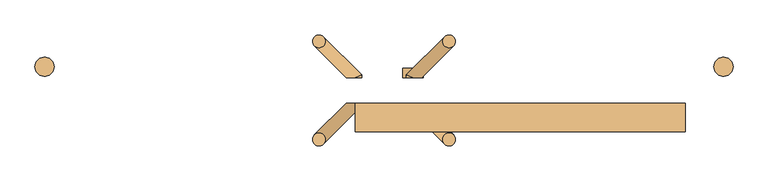
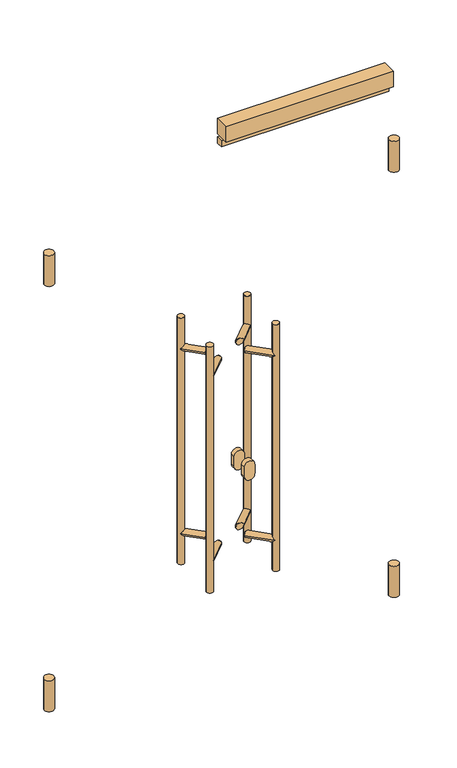
"""IFC4 building model written with IfcOpenShell, lengths in millimetres: door geometry."""

from ifc_helpers import new_model, si_unit, point, frame, frame_2d, origin, place, context, project, spatial, polyline, circle_curve, ellipse_curve, trimmed, segment, composite_curve, outline, extrude, source, transform, mapped, element, save
from ifc_brep_helpers import plane_surface, cylinder_surface, advanced_brep


def door_4cde3d70(model_context):
    return source(origin(), model_context, "Body", "SolidModel", [
        extrude(outline(polyline([(-625.0, -40.0), (-110.0, -40.0), (-110.0, -85.0), (-625.0, -85.0), (-625.0, -40.0)])), frame((0.0, 0.0, 2030.0), z_axis=(0.0, 0.0, 1.0), x_axis=(1.0, 0.0, 0.0)), (0.0, 0.0, 1.0), 50.0),
        extrude(outline(polyline([(-625.0, -40.0), (-110.0, -40.0), (-110.0, -60.0), (-625.0, -60.0), (-625.0, -40.0)])), frame((0.0, 0.0, 2000.0), z_axis=(0.0, 0.0, 1.0), x_axis=(1.0, 0.0, 0.0)), (0.0, 0.0, 1.0), 20.0),
        advanced_brep(
        [(-488.4314575, 56.5685425, 1400.0), (-468.4314575, 56.5685425, 1400.0), (-488.4314575, 56.5685425, 600.0), (-468.4314575, 56.5685425, 600.0), (-535.0, 0.0, 710.0), (-545.0, 0.0, 700.0), (-535.0, 0.0, 690.0), (-520.8578644, 0.0, 700.0), (-535.0, 0.0, 1310.0), (-545.0, 0.0, 1300.0), (-535.0, 0.0, 1290.0), (-520.8578644, 0.0, 1300.0), (-545.0, 4.1421356, 700.0), (-545.0, 4.1421356, 1300.0), (-485.5025253, 63.6396103, 700.0), (-471.3603897, 49.4974747, 700.0), (-488.4314575, 56.5685425, 707.0710678), (-488.4314575, 56.5685425, 692.9289322), (-485.5025253, 63.6396103, 1300.0), (-471.3603897, 49.4974747, 1300.0), (-488.4314575, 56.5685425, 1307.0710678), (-488.4314575, 56.5685425, 1292.9289322)],
        [
            (0, 1, circle_curve(frame((-478.4314575, 56.5685425, 1400.0), z_axis=(0.0, 0.0, 1.0), x_axis=(1.0, 0.0, 0.0)), 10.0)),
            (1, 0, circle_curve(frame((-478.4314575, 56.5685425, 1400.0), z_axis=(0.0, 0.0, 1.0), x_axis=(1.0, 0.0, 0.0)), 10.0)),
            (2, 3, circle_curve(frame((-478.4314575, 56.5685425, 600.0), z_axis=(0.0, 0.0, -1.0), x_axis=(1.0, 0.0, 0.0)), 10.0)),
            (3, 2, circle_curve(frame((-478.4314575, 56.5685425, 600.0), z_axis=(0.0, 0.0, -1.0), x_axis=(1.0, 0.0, 0.0)), 10.0)),
            (4, 5, circle_curve(frame((-535.0, 0.0, 700.0), z_axis=(0.0, -1.0, 0.0), x_axis=(-1.0, 0.0, 0.0)), 10.0)),
            (5, 6, circle_curve(frame((-535.0, 0.0, 700.0), z_axis=(0.0, -1.0, 0.0), x_axis=(-1.0, 0.0, 0.0)), 10.0)),
            (6, 7, ellipse_curve(frame((-535.0, 0.0, 700.0), z_axis=(0.0, -1.0, 0.0), x_axis=(-1.0, 0.0, 0.0)), 14.1421356, 10.0)),
            (7, 4, ellipse_curve(frame((-535.0, 0.0, 700.0), z_axis=(0.0, -1.0, 0.0), x_axis=(-1.0, 0.0, 0.0)), 14.1421356, 10.0)),
            (8, 9, circle_curve(frame((-535.0, 0.0, 1300.0), z_axis=(0.0, -1.0, 0.0), x_axis=(-1.0, 0.0, 0.0)), 10.0)),
            (9, 10, circle_curve(frame((-535.0, 0.0, 1300.0), z_axis=(0.0, -1.0, 0.0), x_axis=(-1.0, 0.0, 0.0)), 10.0)),
            (10, 11, ellipse_curve(frame((-535.0, 0.0, 1300.0), z_axis=(0.0, -1.0, 0.0), x_axis=(-1.0, 0.0, 0.0)), 14.1421356, 10.0)),
            (11, 8, ellipse_curve(frame((-535.0, 0.0, 1300.0), z_axis=(0.0, -1.0, 0.0), x_axis=(-1.0, 0.0, 0.0)), 14.1421356, 10.0)),
            (4, 12, ellipse_curve(frame((-535.0, 0.0, 700.0), z_axis=(-0.3826834323651386, -0.9238795325112665, 0.0), x_axis=(0.9238795325112664, -0.3826834323651385, 0.0)), 10.823922, 10.0)),
            (12, 5),
            (12, 6, ellipse_curve(frame((-535.0, 0.0, 700.0), z_axis=(-0.3826834323651386, -0.9238795325112665, 0.0), x_axis=(0.9238795325112664, -0.3826834323651385, 0.0)), 10.823922, 10.0)),
            (8, 13, ellipse_curve(frame((-535.0, 0.0, 1300.0), z_axis=(-0.3826834323651386, -0.9238795325112665, 0.0), x_axis=(0.9238795325112664, -0.3826834323651385, 0.0)), 10.823922, 10.0)),
            (13, 9),
            (13, 10, ellipse_curve(frame((-535.0, 0.0, 1300.0), z_axis=(-0.3826834323651386, -0.9238795325112665, 0.0), x_axis=(0.9238795325112664, -0.3826834323651385, 0.0)), 10.823922, 10.0)),
            (14, 12),
            (7, 15),
            (15, 16, ellipse_curve(frame((-478.4314575, 56.5685425, 700.0), z_axis=(-0.5000000000000506, -0.49999999999994715, -0.707106781186549), x_axis=(-0.5000000000000551, -0.49999999999994715, 0.7071067811865459)), 14.1421356, 10.0)),
            (16, 14, ellipse_curve(frame((-478.4314575, 56.5685425, 700.0), z_axis=(-0.5000000000000506, -0.49999999999994715, -0.707106781186549), x_axis=(-0.5000000000000551, -0.49999999999994715, 0.7071067811865459)), 14.1421356, 10.0)),
            (14, 17, ellipse_curve(frame((-478.4314575, 56.5685425, 700.0), z_axis=(-0.5000000000000551, -0.49999999999994715, 0.7071067811865459), x_axis=(-0.5000000000000506, -0.49999999999994715, -0.707106781186549)), 14.1421356, 10.0)),
            (17, 15, ellipse_curve(frame((-478.4314575, 56.5685425, 700.0), z_axis=(-0.5000000000000551, -0.49999999999994715, 0.7071067811865459), x_axis=(-0.5000000000000506, -0.49999999999994715, -0.707106781186549)), 14.1421356, 10.0)),
            (18, 13),
            (11, 19),
            (19, 20, ellipse_curve(frame((-478.4314575, 56.5685425, 1300.0), z_axis=(-0.5000000000000506, -0.49999999999994715, -0.707106781186549), x_axis=(-0.5000000000000551, -0.49999999999994715, 0.7071067811865459)), 14.1421356, 10.0)),
            (20, 18, ellipse_curve(frame((-478.4314575, 56.5685425, 1300.0), z_axis=(-0.5000000000000506, -0.49999999999994715, -0.707106781186549), x_axis=(-0.5000000000000551, -0.49999999999994715, 0.7071067811865459)), 14.1421356, 10.0)),
            (18, 21, ellipse_curve(frame((-478.4314575, 56.5685425, 1300.0), z_axis=(-0.5000000000000551, -0.49999999999994715, 0.7071067811865459), x_axis=(-0.5000000000000506, -0.49999999999994715, -0.707106781186549)), 14.1421356, 10.0)),
            (21, 19, ellipse_curve(frame((-478.4314575, 56.5685425, 1300.0), z_axis=(-0.5000000000000551, -0.49999999999994715, 0.7071067811865459), x_axis=(-0.5000000000000506, -0.49999999999994715, -0.707106781186549)), 14.1421356, 10.0)),
            (0, 20),
            (21, 16),
            (17, 2),
            (3, 1),
        ],
        [
            plane_surface(frame((-468.4314575, 56.5685425, 1400.0), z_axis=(0.0, 0.0, 1.0), x_axis=(0.0, 1.0, 0.0))),
            plane_surface(frame((-468.4314575, 56.5685425, 600.0), z_axis=(0.0, 0.0, -1.0), x_axis=(0.0, -1.0, 0.0))),
            plane_surface(frame((-675.0, 0.0, 600.0), z_axis=(0.0, -1.0, 0.0), x_axis=(0.0, 0.0, 1.0))),
            cylinder_surface(frame((-535.0, -40.0, 700.0), z_axis=(0.0, -1.0, 0.0), x_axis=(-1.0, 0.0, 0.0)), 10.0),
            cylinder_surface(frame((-535.0, -40.0, 1300.0), z_axis=(0.0, -1.0, 0.0), x_axis=(-1.0, 0.0, 0.0)), 10.0),
            cylinder_surface(frame((-535.0, 0.0, 700.0), z_axis=(-0.7071067811866223, -0.7071067811864729, 0.0), x_axis=(-0.7071067811864729, 0.7071067811866223, 0.0)), 10.0),
            cylinder_surface(frame((-535.0, 0.0, 1300.0), z_axis=(-0.7071067811866223, -0.7071067811864729, 0.0), x_axis=(-0.7071067811864729, 0.7071067811866223, 0.0)), 10.0),
            cylinder_surface(frame((-478.4314575, 56.5685425, 600.0), z_axis=(0.0, 0.0, 1.0), x_axis=(1.0, 0.0, 0.0)), 10.0),
        ],
        [
            (0, [[1, 2]]),
            (1, [[3, 4]]),
            (2, [[5, 6, 7, 8]]),
            (2, [[9, 10, 11, 12]]),
            (3, [[13, 14, -5]]),
            (3, [[-14, 15, -6]]),
            (4, [[16, 17, -9]]),
            (4, [[-17, 18, -10]]),
            (5, [[19, -13, -8, 20, 21, 22]]),
            (5, [[-19, 23, 24, -20, -7, -15]]),
            (6, [[25, -16, -12, 26, 27, 28]]),
            (6, [[-25, 29, 30, -26, -11, -18]]),
            (7, [[-1, 31, -27, -30, 32, -21, -24, 33, -4, 34]]),
            (7, [[-2, -34, -3, -33, -23, -22, -32, -29, -28, -31]]),
        ],
    ),
        advanced_brep(
        [(-488.4314575, -96.5685425, 1400.0), (-468.4314575, -96.5685425, 1400.0), (-488.4314575, -96.5685425, 600.0), (-468.4314575, -96.5685425, 600.0), (-535.0, -40.0, 710.0), (-520.8578644, -40.0, 700.0), (-535.0, -40.0, 690.0), (-545.0, -40.0, 700.0), (-535.0, -40.0, 1310.0), (-520.8578644, -40.0, 1300.0), (-535.0, -40.0, 1290.0), (-545.0, -40.0, 1300.0), (-545.0, -44.1421356, 700.0), (-485.5025253, -103.6396103, 700.0), (-488.4314575, -96.5685425, 707.0710678), (-471.3603897, -89.4974747, 700.0), (-488.4314575, -96.5685425, 692.9289322), (-545.0, -44.1421356, 1300.0), (-485.5025253, -103.6396103, 1300.0), (-488.4314575, -96.5685425, 1307.0710678), (-471.3603897, -89.4974747, 1300.0), (-488.4314575, -96.5685425, 1292.9289322)],
        [
            (0, 1, circle_curve(frame((-478.4314575, -96.5685425, 1400.0), z_axis=(0.0, 0.0, 1.0), x_axis=(1.0, 0.0, 0.0)), 10.0)),
            (1, 0, circle_curve(frame((-478.4314575, -96.5685425, 1400.0), z_axis=(0.0, 0.0, 1.0), x_axis=(1.0, 0.0, 0.0)), 10.0)),
            (2, 3, circle_curve(frame((-478.4314575, -96.5685425, 600.0), z_axis=(0.0, 0.0, -1.0), x_axis=(1.0, 0.0, 0.0)), 10.0)),
            (3, 2, circle_curve(frame((-478.4314575, -96.5685425, 600.0), z_axis=(0.0, 0.0, -1.0), x_axis=(1.0, 0.0, 0.0)), 10.0)),
            (4, 5, ellipse_curve(frame((-535.0, -40.0, 700.0), z_axis=(0.0, 1.0, 0.0), x_axis=(1.0, 0.0, 0.0)), 14.1421356, 10.0)),
            (5, 6, ellipse_curve(frame((-535.0, -40.0, 700.0), z_axis=(0.0, 1.0, 0.0), x_axis=(1.0, 0.0, 0.0)), 14.1421356, 10.0)),
            (6, 7, circle_curve(frame((-535.0, -40.0, 700.0), z_axis=(0.0, 1.0, 0.0), x_axis=(-1.0, 0.0, 0.0)), 10.0)),
            (7, 4, circle_curve(frame((-535.0, -40.0, 700.0), z_axis=(0.0, 1.0, 0.0), x_axis=(-1.0, 0.0, 0.0)), 10.0)),
            (8, 9, ellipse_curve(frame((-535.0, -40.0, 1300.0), z_axis=(0.0, 1.0, 0.0), x_axis=(1.0, 0.0, 0.0)), 14.1421356, 10.0)),
            (9, 10, ellipse_curve(frame((-535.0, -40.0, 1300.0), z_axis=(0.0, 1.0, 0.0), x_axis=(1.0, 0.0, 0.0)), 14.1421356, 10.0)),
            (10, 11, circle_curve(frame((-535.0, -40.0, 1300.0), z_axis=(0.0, 1.0, 0.0), x_axis=(-1.0, 0.0, 0.0)), 10.0)),
            (11, 8, circle_curve(frame((-535.0, -40.0, 1300.0), z_axis=(0.0, 1.0, 0.0), x_axis=(-1.0, 0.0, 0.0)), 10.0)),
            (12, 13),
            (13, 14, ellipse_curve(frame((-478.4314575, -96.5685425, 700.0), z_axis=(-0.5000000000000066, 0.49999999999999023, -0.7071067811865498), x_axis=(0.5000000000000119, -0.4999999999999913, -0.7071067811865452)), 14.1421356, 10.0)),
            (14, 15, ellipse_curve(frame((-478.4314575, -96.5685425, 700.0), z_axis=(-0.5000000000000066, 0.49999999999999023, -0.7071067811865498), x_axis=(0.5000000000000119, -0.4999999999999913, -0.7071067811865452)), 14.1421356, 10.0)),
            (15, 5),
            (4, 12, ellipse_curve(frame((-535.0, -40.0, 700.0), z_axis=(0.38268343236509833, -0.9238795325112832, 0.0), x_axis=(0.9238795325112834, 0.38268343236509816, 0.0)), 10.823922, 10.0)),
            (12, 6, ellipse_curve(frame((-535.0, -40.0, 700.0), z_axis=(0.38268343236509833, -0.9238795325112832, 0.0), x_axis=(0.9238795325112834, 0.38268343236509816, 0.0)), 10.823922, 10.0)),
            (15, 16, ellipse_curve(frame((-478.4314575, -96.5685425, 700.0), z_axis=(-0.5000000000000121, 0.49999999999999145, 0.7071067811865451), x_axis=(0.5000000000000062, -0.49999999999999, 0.70710678118655)), 14.1421356, 10.0)),
            (16, 13, ellipse_curve(frame((-478.4314575, -96.5685425, 700.0), z_axis=(-0.5000000000000121, 0.49999999999999145, 0.7071067811865451), x_axis=(0.5000000000000062, -0.49999999999999, 0.70710678118655)), 14.1421356, 10.0)),
            (17, 18),
            (18, 19, ellipse_curve(frame((-478.4314575, -96.5685425, 1300.0), z_axis=(-0.5000000000000066, 0.49999999999999023, -0.7071067811865498), x_axis=(0.5000000000000119, -0.4999999999999913, -0.7071067811865452)), 14.1421356, 10.0)),
            (19, 20, ellipse_curve(frame((-478.4314575, -96.5685425, 1300.0), z_axis=(-0.5000000000000066, 0.49999999999999023, -0.7071067811865498), x_axis=(0.5000000000000119, -0.4999999999999913, -0.7071067811865452)), 14.1421356, 10.0)),
            (20, 9),
            (8, 17, ellipse_curve(frame((-535.0, -40.0, 1300.0), z_axis=(0.38268343236509833, -0.9238795325112832, 0.0), x_axis=(0.9238795325112834, 0.38268343236509816, 0.0)), 10.823922, 10.0)),
            (17, 10, ellipse_curve(frame((-535.0, -40.0, 1300.0), z_axis=(0.38268343236509833, -0.9238795325112832, 0.0), x_axis=(0.9238795325112834, 0.38268343236509816, 0.0)), 10.823922, 10.0)),
            (20, 21, ellipse_curve(frame((-478.4314575, -96.5685425, 1300.0), z_axis=(-0.5000000000000121, 0.49999999999999145, 0.7071067811865451), x_axis=(0.5000000000000062, -0.49999999999999, 0.70710678118655)), 14.1421356, 10.0)),
            (21, 18, ellipse_curve(frame((-478.4314575, -96.5685425, 1300.0), z_axis=(-0.5000000000000121, 0.49999999999999145, 0.7071067811865451), x_axis=(0.5000000000000062, -0.49999999999999, 0.70710678118655)), 14.1421356, 10.0)),
            (7, 12),
            (11, 17),
            (0, 19),
            (21, 14),
            (16, 2),
            (3, 1),
        ],
        [
            plane_surface(frame((-468.4314575, 56.5685425, 1400.0), z_axis=(0.0, 0.0, 1.0), x_axis=(0.0, 1.0, 0.0))),
            plane_surface(frame((-468.4314575, 56.5685425, 600.0), z_axis=(0.0, 0.0, -1.0), x_axis=(0.0, -1.0, 0.0))),
            plane_surface(frame((-485.0, -40.0, 600.0), z_axis=(0.0, 1.0, 0.0), x_axis=(0.0, 0.0, 1.0))),
            cylinder_surface(frame((-478.4314575, -96.5685425, 700.0), z_axis=(0.7071067811865607, -0.7071067811865346, 0.0), x_axis=(-0.7071067811865346, -0.7071067811865607, 0.0)), 10.0),
            cylinder_surface(frame((-478.4314575, -96.5685425, 1300.0), z_axis=(0.7071067811865607, -0.7071067811865346, 0.0), x_axis=(-0.7071067811865346, -0.7071067811865607, 0.0)), 10.0),
            cylinder_surface(frame((-535.0, -40.0, 700.0), z_axis=(0.0, -1.0, 0.0), x_axis=(-1.0, 0.0, 0.0)), 10.0),
            cylinder_surface(frame((-535.0, -40.0, 1300.0), z_axis=(0.0, -1.0, 0.0), x_axis=(-1.0, 0.0, 0.0)), 10.0),
            cylinder_surface(frame((-478.4314575, -96.5685425, 1000.0), z_axis=(0.0, 0.0, 1.0), x_axis=(1.0, 0.0, 0.0)), 10.0),
        ],
        [
            (0, [[1, 2]]),
            (1, [[3, 4]]),
            (2, [[5, 6, 7, 8]]),
            (2, [[9, 10, 11, 12]]),
            (3, [[13, 14, 15, 16, -5, 17]]),
            (3, [[-13, 18, -6, -16, 19, 20]]),
            (4, [[21, 22, 23, 24, -9, 25]]),
            (4, [[-21, 26, -10, -24, 27, 28]]),
            (5, [[-17, -8, 29]]),
            (5, [[-18, -29, -7]]),
            (6, [[-25, -12, 30]]),
            (6, [[-26, -30, -11]]),
            (7, [[-1, 31, -22, -28, 32, -14, -20, 33, -4, 34]]),
            (7, [[-2, -34, -3, -33, -19, -15, -32, -27, -23, -31]]),
        ],
    ),
        advanced_brep(
        [(-691.5685425, 56.5685425, 1400.0), (-671.5685425, 56.5685425, 1400.0), (-691.5685425, 56.5685425, 600.0), (-671.5685425, 56.5685425, 600.0), (-625.0, 0.0, 690.0), (-615.0, 0.0, 700.0), (-625.0, 0.0, 710.0), (-639.1421356, 0.0, 700.0), (-625.0, 0.0, 1290.0), (-615.0, 0.0, 1300.0), (-625.0, 0.0, 1310.0), (-639.1421356, 0.0, 1300.0), (-671.5685425, 56.5685425, 692.9289322), (-688.6396103, 49.4974747, 700.0), (-671.5685425, 56.5685425, 707.0710678), (-671.5685425, 56.5685425, 1292.9289322), (-688.6396103, 49.4974747, 1300.0), (-671.5685425, 56.5685425, 1307.0710678), (-674.4974747, 63.6396103, 1300.0), (-674.4974747, 63.6396103, 700.0), (-615.0, 4.1421356, 700.0), (-615.0, 4.1421356, 1300.0)],
        [
            (0, 1, circle_curve(frame((-681.5685425, 56.5685425, 1400.0), z_axis=(0.0, 0.0, 1.0), x_axis=(1.0, 0.0, 0.0)), 10.0)),
            (1, 0, circle_curve(frame((-681.5685425, 56.5685425, 1400.0), z_axis=(0.0, 0.0, 1.0), x_axis=(1.0, 0.0, 0.0)), 10.0)),
            (2, 3, circle_curve(frame((-681.5685425, 56.5685425, 600.0), z_axis=(0.0, 0.0, -1.0), x_axis=(1.0, 0.0, 0.0)), 10.0)),
            (3, 2, circle_curve(frame((-681.5685425, 56.5685425, 600.0), z_axis=(0.0, 0.0, -1.0), x_axis=(1.0, 0.0, 0.0)), 10.0)),
            (4, 5, circle_curve(frame((-625.0, 0.0, 700.0), z_axis=(0.0, -1.0, 0.0), x_axis=(-1.0, 0.0, 0.0)), 10.0)),
            (5, 6, circle_curve(frame((-625.0, 0.0, 700.0), z_axis=(0.0, -1.0, 0.0), x_axis=(-1.0, 0.0, 0.0)), 10.0)),
            (6, 7, ellipse_curve(frame((-625.0, 0.0, 700.0), z_axis=(0.0, -1.0, 0.0), x_axis=(1.0, 0.0, 0.0)), 14.1421356, 10.0)),
            (7, 4, ellipse_curve(frame((-625.0, 0.0, 700.0), z_axis=(0.0, -1.0, 0.0), x_axis=(1.0, 0.0, 0.0)), 14.1421356, 10.0)),
            (8, 9, circle_curve(frame((-625.0, 0.0, 1300.0), z_axis=(0.0, -1.0, 0.0), x_axis=(-1.0, 0.0, 0.0)), 10.0)),
            (9, 10, circle_curve(frame((-625.0, 0.0, 1300.0), z_axis=(0.0, -1.0, 0.0), x_axis=(-1.0, 0.0, 0.0)), 10.0)),
            (10, 11, ellipse_curve(frame((-625.0, 0.0, 1300.0), z_axis=(0.0, -1.0, 0.0), x_axis=(1.0, 0.0, 0.0)), 14.1421356, 10.0)),
            (11, 8, ellipse_curve(frame((-625.0, 0.0, 1300.0), z_axis=(0.0, -1.0, 0.0), x_axis=(1.0, 0.0, 0.0)), 14.1421356, 10.0)),
            (0, 2),
            (3, 12),
            (12, 13, ellipse_curve(frame((-681.5685425, 56.5685425, 700.0), z_axis=(-0.5000000000000748, 0.49999999999992295, -0.707106781186549), x_axis=(-0.5000000000000792, 0.4999999999999229, 0.707106781186546)), 14.1421356, 10.0)),
            (13, 14, ellipse_curve(frame((-681.5685425, 56.5685425, 700.0), z_axis=(-0.5000000000000792, 0.49999999999992295, 0.7071067811865459), x_axis=(0.5000000000000746, -0.49999999999992295, 0.7071067811865491)), 14.1421356, 10.0)),
            (14, 15),
            (15, 16, ellipse_curve(frame((-681.5685425, 56.5685425, 1300.0), z_axis=(-0.5000000000000748, 0.49999999999992295, -0.707106781186549), x_axis=(-0.5000000000000792, 0.4999999999999229, 0.707106781186546)), 14.1421356, 10.0)),
            (16, 17, ellipse_curve(frame((-681.5685425, 56.5685425, 1300.0), z_axis=(-0.5000000000000792, 0.49999999999992295, 0.7071067811865459), x_axis=(0.5000000000000746, -0.49999999999992295, 0.7071067811865491)), 14.1421356, 10.0)),
            (17, 1),
            (17, 18, ellipse_curve(frame((-681.5685425, 56.5685425, 1300.0), z_axis=(-0.5000000000000792, 0.49999999999992295, 0.7071067811865459), x_axis=(0.5000000000000746, -0.49999999999992295, 0.7071067811865491)), 14.1421356, 10.0)),
            (18, 15, ellipse_curve(frame((-681.5685425, 56.5685425, 1300.0), z_axis=(-0.5000000000000748, 0.49999999999992295, -0.707106781186549), x_axis=(-0.5000000000000792, 0.4999999999999229, 0.707106781186546)), 14.1421356, 10.0)),
            (14, 19, ellipse_curve(frame((-681.5685425, 56.5685425, 700.0), z_axis=(-0.5000000000000792, 0.49999999999992295, 0.7071067811865459), x_axis=(0.5000000000000746, -0.49999999999992295, 0.7071067811865491)), 14.1421356, 10.0)),
            (19, 12, ellipse_curve(frame((-681.5685425, 56.5685425, 700.0), z_axis=(-0.5000000000000748, 0.49999999999992295, -0.707106781186549), x_axis=(-0.5000000000000792, 0.4999999999999229, 0.707106781186546)), 14.1421356, 10.0)),
            (4, 20, ellipse_curve(frame((-625.0, 0.0, 700.0), z_axis=(0.382683432365161, -0.9238795325112573, 0.0), x_axis=(-0.9238795325112572, -0.3826834323651609, 0.0)), 10.823922, 10.0)),
            (20, 5),
            (20, 6, ellipse_curve(frame((-625.0, 0.0, 700.0), z_axis=(0.382683432365161, -0.9238795325112573, 0.0), x_axis=(-0.9238795325112572, -0.3826834323651609, 0.0)), 10.823922, 10.0)),
            (8, 21, ellipse_curve(frame((-625.0, 0.0, 1300.0), z_axis=(0.382683432365161, -0.9238795325112573, 0.0), x_axis=(-0.9238795325112572, -0.3826834323651609, 0.0)), 10.823922, 10.0)),
            (21, 9),
            (21, 10, ellipse_curve(frame((-625.0, 0.0, 1300.0), z_axis=(0.382683432365161, -0.9238795325112573, 0.0), x_axis=(-0.9238795325112572, -0.3826834323651609, 0.0)), 10.823922, 10.0)),
            (19, 20),
            (7, 13),
            (18, 21),
            (11, 16),
        ],
        [
            plane_surface(frame((-468.4314575, 56.5685425, 1400.0), z_axis=(0.0, 0.0, 1.0), x_axis=(0.0, 1.0, 0.0))),
            plane_surface(frame((-468.4314575, 56.5685425, 600.0), z_axis=(0.0, 0.0, -1.0), x_axis=(0.0, -1.0, 0.0))),
            plane_surface(frame((-675.0, 0.0, 600.0), z_axis=(0.0, -1.0, 0.0), x_axis=(0.0, 0.0, 1.0))),
            cylinder_surface(frame((-681.5685425, 56.5685425, 1000.0), z_axis=(0.0, 0.0, 1.0), x_axis=(1.0, 0.0, 0.0)), 10.0),
            cylinder_surface(frame((-625.0, -40.0, 700.0), z_axis=(0.0, -1.0, 0.0), x_axis=(-1.0, 0.0, 0.0)), 10.0),
            cylinder_surface(frame((-625.0, -40.0, 1300.0), z_axis=(0.0, -1.0, 0.0), x_axis=(-1.0, 0.0, 0.0)), 10.0),
            cylinder_surface(frame((-625.0, 0.0, 700.0), z_axis=(0.7071067811866565, -0.7071067811864387, 0.0), x_axis=(-0.7071067811864387, -0.7071067811866565, 0.0)), 10.0),
            cylinder_surface(frame((-625.0, 0.0, 1300.0), z_axis=(0.7071067811866565, -0.7071067811864387, 0.0), x_axis=(-0.7071067811864387, -0.7071067811866565, 0.0)), 10.0),
        ],
        [
            (0, [[1, 2]]),
            (1, [[3, 4]]),
            (2, [[5, 6, 7, 8]]),
            (2, [[9, 10, 11, 12]]),
            (3, [[-1, 13, -4, 14, 15, 16, 17, 18, 19, 20]]),
            (3, [[-2, -20, 21, 22, -17, 23, 24, -14, -3, -13]]),
            (4, [[25, 26, -5]]),
            (4, [[-26, 27, -6]]),
            (5, [[28, 29, -9]]),
            (5, [[-29, 30, -10]]),
            (6, [[31, -25, -8, 32, -15, -24]]),
            (6, [[-31, -23, -16, -32, -7, -27]]),
            (7, [[33, -28, -12, 34, -18, -22]]),
            (7, [[-33, -21, -19, -34, -11, -30]]),
        ],
    ),
        advanced_brep(
        [(-691.5685425, -96.5685425, 1400.0), (-671.5685425, -96.5685425, 1400.0), (-691.5685425, -96.5685425, 600.0), (-671.5685425, -96.5685425, 600.0), (-625.0, -40.0, 690.0), (-639.1421356, -40.0, 700.0), (-625.0, -40.0, 710.0), (-615.0, -40.0, 700.0), (-625.0, -40.0, 1290.0), (-639.1421356, -40.0, 1300.0), (-625.0, -40.0, 1310.0), (-615.0, -40.0, 1300.0), (-671.5685425, -96.5685425, 692.9289322), (-674.4974747, -103.6396103, 700.0), (-671.5685425, -96.5685425, 707.0710678), (-671.5685425, -96.5685425, 1292.9289322), (-674.4974747, -103.6396103, 1300.0), (-671.5685425, -96.5685425, 1307.0710678), (-688.6396103, -89.4974747, 1300.0), (-688.6396103, -89.4974747, 700.0), (-615.0, -44.1421356, 700.0), (-615.0, -44.1421356, 1300.0)],
        [
            (0, 1, circle_curve(frame((-681.5685425, -96.5685425, 1400.0), z_axis=(0.0, 0.0, 1.0), x_axis=(1.0, 0.0, 0.0)), 10.0)),
            (1, 0, circle_curve(frame((-681.5685425, -96.5685425, 1400.0), z_axis=(0.0, 0.0, 1.0), x_axis=(1.0, 0.0, 0.0)), 10.0)),
            (2, 3, circle_curve(frame((-681.5685425, -96.5685425, 600.0), z_axis=(0.0, 0.0, -1.0), x_axis=(1.0, 0.0, 0.0)), 10.0)),
            (3, 2, circle_curve(frame((-681.5685425, -96.5685425, 600.0), z_axis=(0.0, 0.0, -1.0), x_axis=(1.0, 0.0, 0.0)), 10.0)),
            (4, 5, ellipse_curve(frame((-625.0, -40.0, 700.0), z_axis=(0.0, 1.0, 0.0), x_axis=(-1.0, 0.0, 0.0)), 14.1421356, 10.0)),
            (5, 6, ellipse_curve(frame((-625.0, -40.0, 700.0), z_axis=(0.0, 1.0, 0.0), x_axis=(-1.0, 0.0, 0.0)), 14.1421356, 10.0)),
            (6, 7, circle_curve(frame((-625.0, -40.0, 700.0), z_axis=(0.0, 1.0, 0.0), x_axis=(-1.0, 0.0, 0.0)), 10.0)),
            (7, 4, circle_curve(frame((-625.0, -40.0, 700.0), z_axis=(0.0, 1.0, 0.0), x_axis=(-1.0, 0.0, 0.0)), 10.0)),
            (8, 9, ellipse_curve(frame((-625.0, -40.0, 1300.0), z_axis=(0.0, 1.0, 0.0), x_axis=(-1.0, 0.0, 0.0)), 14.1421356, 10.0)),
            (9, 10, ellipse_curve(frame((-625.0, -40.0, 1300.0), z_axis=(0.0, 1.0, 0.0), x_axis=(-1.0, 0.0, 0.0)), 14.1421356, 10.0)),
            (10, 11, circle_curve(frame((-625.0, -40.0, 1300.0), z_axis=(0.0, 1.0, 0.0), x_axis=(-1.0, 0.0, 0.0)), 10.0)),
            (11, 8, circle_curve(frame((-625.0, -40.0, 1300.0), z_axis=(0.0, 1.0, 0.0), x_axis=(-1.0, 0.0, 0.0)), 10.0)),
            (0, 2),
            (3, 12),
            (12, 13, ellipse_curve(frame((-681.5685425, -96.5685425, 700.0), z_axis=(-0.49999999999996037, -0.5000000000000363, -0.7071067811865498), x_axis=(-0.49999999999996586, -0.5000000000000373, 0.7071067811865452)), 14.1421356, 10.0)),
            (13, 14, ellipse_curve(frame((-681.5685425, -96.5685425, 700.0), z_axis=(-0.4999999999999659, -0.5000000000000374, 0.7071067811865451), x_axis=(0.49999999999996025, 0.5000000000000363, 0.7071067811865498)), 14.1421356, 10.0)),
            (14, 15),
            (15, 16, ellipse_curve(frame((-681.5685425, -96.5685425, 1300.0), z_axis=(-0.49999999999996037, -0.5000000000000363, -0.7071067811865498), x_axis=(-0.49999999999996586, -0.5000000000000373, 0.7071067811865452)), 14.1421356, 10.0)),
            (16, 17, ellipse_curve(frame((-681.5685425, -96.5685425, 1300.0), z_axis=(-0.4999999999999659, -0.5000000000000374, 0.7071067811865451), x_axis=(0.49999999999996025, 0.5000000000000363, 0.7071067811865498)), 14.1421356, 10.0)),
            (17, 1),
            (17, 18, ellipse_curve(frame((-681.5685425, -96.5685425, 1300.0), z_axis=(-0.4999999999999659, -0.5000000000000374, 0.7071067811865451), x_axis=(0.49999999999996025, 0.5000000000000363, 0.7071067811865498)), 14.1421356, 10.0)),
            (18, 15, ellipse_curve(frame((-681.5685425, -96.5685425, 1300.0), z_axis=(-0.49999999999996037, -0.5000000000000363, -0.7071067811865498), x_axis=(-0.49999999999996586, -0.5000000000000373, 0.7071067811865452)), 14.1421356, 10.0)),
            (14, 19, ellipse_curve(frame((-681.5685425, -96.5685425, 700.0), z_axis=(-0.4999999999999659, -0.5000000000000374, 0.7071067811865451), x_axis=(0.49999999999996025, 0.5000000000000363, 0.7071067811865498)), 14.1421356, 10.0)),
            (19, 12, ellipse_curve(frame((-681.5685425, -96.5685425, 700.0), z_axis=(-0.49999999999996037, -0.5000000000000363, -0.7071067811865498), x_axis=(-0.49999999999996586, -0.5000000000000373, 0.7071067811865452)), 14.1421356, 10.0)),
            (20, 13),
            (19, 5),
            (4, 20, ellipse_curve(frame((-625.0, -40.0, 700.0), z_axis=(-0.38268343236505564, -0.9238795325113008, 0.0), x_axis=(-0.923879532511301, 0.38268343236505536, 0.0)), 10.823922, 10.0)),
            (20, 6, ellipse_curve(frame((-625.0, -40.0, 700.0), z_axis=(-0.38268343236505564, -0.9238795325113008, 0.0), x_axis=(-0.923879532511301, 0.38268343236505536, 0.0)), 10.823922, 10.0)),
            (21, 16),
            (18, 9),
            (8, 21, ellipse_curve(frame((-625.0, -40.0, 1300.0), z_axis=(-0.38268343236505564, -0.9238795325113008, 0.0), x_axis=(-0.923879532511301, 0.38268343236505536, 0.0)), 10.823922, 10.0)),
            (21, 10, ellipse_curve(frame((-625.0, -40.0, 1300.0), z_axis=(-0.38268343236505564, -0.9238795325113008, 0.0), x_axis=(-0.923879532511301, 0.38268343236505536, 0.0)), 10.823922, 10.0)),
            (7, 20),
            (11, 21),
        ],
        [
            plane_surface(frame((-468.4314575, 56.5685425, 1400.0), z_axis=(0.0, 0.0, 1.0), x_axis=(0.0, 1.0, 0.0))),
            plane_surface(frame((-468.4314575, 56.5685425, 600.0), z_axis=(0.0, 0.0, -1.0), x_axis=(0.0, -1.0, 0.0))),
            plane_surface(frame((-485.0, -40.0, 600.0), z_axis=(0.0, 1.0, 0.0), x_axis=(0.0, 0.0, 1.0))),
            cylinder_surface(frame((-681.5685425, -96.5685425, 1000.0), z_axis=(0.0, 0.0, 1.0), x_axis=(1.0, 0.0, 0.0)), 10.0),
            cylinder_surface(frame((-681.5685425, -96.5685425, 700.0), z_axis=(-0.7071067811864954, -0.7071067811865996, 0.0), x_axis=(-0.7071067811865996, 0.7071067811864954, 0.0)), 10.0),
            cylinder_surface(frame((-681.5685425, -96.5685425, 1300.0), z_axis=(-0.7071067811864954, -0.7071067811865996, 0.0), x_axis=(-0.7071067811865996, 0.7071067811864954, 0.0)), 10.0),
            cylinder_surface(frame((-625.0, -40.0, 700.0), z_axis=(0.0, -1.0, 0.0), x_axis=(-1.0, 0.0, 0.0)), 10.0),
            cylinder_surface(frame((-625.0, -40.0, 1300.0), z_axis=(0.0, -1.0, 0.0), x_axis=(-1.0, 0.0, 0.0)), 10.0),
        ],
        [
            (0, [[1, 2]]),
            (1, [[3, 4]]),
            (2, [[5, 6, 7, 8]]),
            (2, [[9, 10, 11, 12]]),
            (3, [[-1, 13, -4, 14, 15, 16, 17, 18, 19, 20]]),
            (3, [[-2, -20, 21, 22, -17, 23, 24, -14, -3, -13]]),
            (4, [[25, -15, -24, 26, -5, 27]]),
            (4, [[-25, 28, -6, -26, -23, -16]]),
            (5, [[29, -18, -22, 30, -9, 31]]),
            (5, [[-29, 32, -10, -30, -21, -19]]),
            (6, [[-27, -8, 33]]),
            (6, [[-28, -33, -7]]),
            (7, [[-31, -12, 34]]),
            (7, [[-32, -34, -11]]),
        ],
    ),
        extrude(outline(composite_curve([segment(polyline([(930.0, -551.0), (900.0, -551.0)]), True, "CONTINUOUS"), segment(trimmed(circle_curve(frame_2d((900.0, -535.0)), 16.0), [point((900.0, -551.0))], [point((900.0, -519.0))], False, "CARTESIAN"), True, "CONTINUOUS"), segment(polyline([(900.0, -519.0), (930.0, -519.0)]), True, "CONTINUOUS"), segment(trimmed(circle_curve(frame_2d((930.0, -535.0)), 16.0), [point((930.0, -519.0))], [point((930.0, -551.0))], False, "CARTESIAN"), True, "CONTINUOUS")], self_intersect=False)), frame((0.0, 0.0, 0.0), z_axis=(0.0, 1.0, 0.0), x_axis=(0.0, 0.0, 1.0)), (0.0, 0.0, 1.0), 15.0),
        extrude(outline(composite_curve([segment(polyline([(930.0, -551.0), (900.0, -551.0)]), True, "CONTINUOUS"), segment(trimmed(circle_curve(frame_2d((900.0, -535.0)), 16.0), [point((900.0, -551.0))], [point((900.0, -519.0))], False, "CARTESIAN"), True, "CONTINUOUS"), segment(polyline([(900.0, -519.0), (930.0, -519.0)]), True, "CONTINUOUS"), segment(trimmed(circle_curve(frame_2d((930.0, -535.0)), 16.0), [point((930.0, -519.0))], [point((930.0, -551.0))], False, "CARTESIAN"), True, "CONTINUOUS")], self_intersect=False)), frame((0.0, -55.0, 0.0), z_axis=(0.0, 1.0, 0.0), x_axis=(0.0, 0.0, 1.0)), (0.0, 0.0, 1.0), 15.0),
        extrude(outline(composite_curve([segment(trimmed(circle_curve(frame_2d((-50.0, 17.0)), 15.0), [point((-65.0, 17.0))], [point((-35.0, 17.0))], False, "CARTESIAN"), True, "CONTINUOUS"), segment(trimmed(circle_curve(frame_2d((-50.0, 17.0)), 15.0), [point((-35.0, 17.0))], [point((-65.0, 17.0))], False, "CARTESIAN"), True, "CONTINUOUS")], self_intersect=False)), frame((0.0, 0.0, 1680.0), z_axis=(0.0, 0.0, 1.0), x_axis=(1.0, 0.0, 0.0)), (0.0, 0.0, 1.0), 100.0),
        extrude(outline(composite_curve([segment(trimmed(circle_curve(frame_2d((-1110.0, 17.0)), 15.0), [point((-1125.0, 17.0))], [point((-1095.0, 17.0))], False, "CARTESIAN"), True, "CONTINUOUS"), segment(trimmed(circle_curve(frame_2d((-1110.0, 17.0)), 15.0), [point((-1095.0, 17.0))], [point((-1125.0, 17.0))], False, "CARTESIAN"), True, "CONTINUOUS")], self_intersect=False)), frame((0.0, 0.0, 1680.0), z_axis=(0.0, 0.0, 1.0), x_axis=(1.0, 0.0, 0.0)), (0.0, 0.0, 1.0), 100.0),
        extrude(outline(composite_curve([segment(trimmed(circle_curve(frame_2d((-50.0, 17.0)), 15.0), [point((-65.0, 17.0))], [point((-35.0, 17.0))], False, "CARTESIAN"), True, "CONTINUOUS"), segment(trimmed(circle_curve(frame_2d((-50.0, 17.0)), 15.0), [point((-35.0, 17.0))], [point((-65.0, 17.0))], False, "CARTESIAN"), True, "CONTINUOUS")], self_intersect=False)), frame((0.0, 0.0, 300.0), z_axis=(0.0, 0.0, 1.0), x_axis=(1.0, 0.0, 0.0)), (0.0, 0.0, 1.0), 100.0),
        extrude(outline(composite_curve([segment(trimmed(circle_curve(frame_2d((-1110.0, 17.0)), 15.0), [point((-1125.0, 17.0))], [point((-1095.0, 17.0))], False, "CARTESIAN"), True, "CONTINUOUS"), segment(trimmed(circle_curve(frame_2d((-1110.0, 17.0)), 15.0), [point((-1095.0, 17.0))], [point((-1125.0, 17.0))], False, "CARTESIAN"), True, "CONTINUOUS")], self_intersect=False)), frame((0.0, 0.0, 300.0), z_axis=(0.0, 0.0, 1.0), x_axis=(1.0, 0.0, 0.0)), (0.0, 0.0, 1.0), 100.0),
    ])


if __name__ == "__main__":
    model = new_model("IFC4")
    model_context = context("Model", 3, world=origin())
    ifc_project = project(units=[si_unit("LENGTHUNIT", "METRE", prefix="MILLI")], contexts=[model_context])
    site = spatial("IfcSite", under=ifc_project)
    building = spatial("IfcBuilding", under=site)
    placement = place(None, origin())
    door_shape = door_4cde3d70(model_context)
    element("IfcDoor", 1, at=placement, inside=building, context=model_context, shape_type="MappedRepresentation", body=[
        mapped(door_shape, transform((0.0, 0.0, 0.0), x_axis=(1.0, 0.0, 0.0), y_axis=(0.0, 1.0, 0.0), z_axis=(0.0, 0.0, 1.0))),
    ])
    save(model, "model.ifc")
